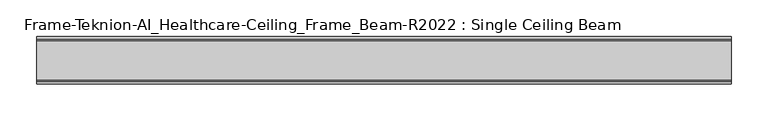
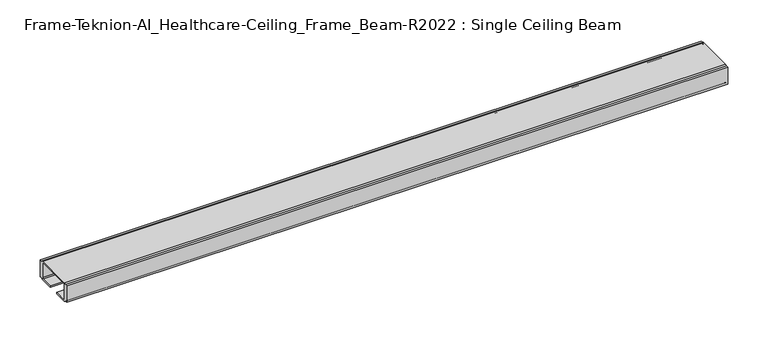
"""IFC4 building model written with IfcOpenShell, lengths in millimetres: furniture geometry, Frame-Teknion-AI_Healthcare-Ceiling_Frame_Beam-R2022 : Single Ceiling Beam."""

from ifc_helpers import new_model, si_unit, point, frame, frame_2d, origin, place, context, project, spatial, polyline, circle_curve, trimmed, segment, composite_curve, outline, extrude, source, transform, mapped, element, save


def frame_teknion_ai_healthcare_ceiling_frame_beam_r2022_single_ea5b3342(model_context):
    return source(origin(), model_context, "Body", "SweptSolid", [
        extrude(outline(composite_curve([segment(polyline([(-32.174996, 1573.5046), (-32.174996, 1598.9045998), (-28.999999, 1598.9045998), (-28.999999, 1597.787)]), True, "CONTINUOUS"), segment(trimmed(circle_curve(frame_2d((-26.5869991, 1597.787)), 2.413), [point((-28.999999, 1597.787))], [point((-26.5869991, 1600.2))], False, "CARTESIAN"), True, "CONTINUOUS"), segment(polyline([(-26.5869991, 1600.2), (26.5869991, 1600.2)]), True, "CONTINUOUS"), segment(trimmed(circle_curve(frame_2d((26.5869991, 1597.787)), 2.413), [point((26.5869991, 1600.2))], [point((28.999999, 1597.787))], False, "CARTESIAN"), True, "CONTINUOUS"), segment(polyline([(28.999999, 1597.787), (28.999999, 1598.9045998), (32.174996, 1598.9045998), (32.174996, 1573.5046), (28.999999, 1573.5046), (28.999999, 1574.6129989)]), True, "CONTINUOUS"), segment(trimmed(circle_curve(frame_2d((26.5869991, 1574.6129989)), 2.413), [point((28.999999, 1574.6129989))], [point((26.5869991, 1572.199999))], False, "CARTESIAN"), True, "CONTINUOUS"), segment(polyline([(26.5869991, 1572.199999), (7.9374947, 1572.199999), (7.9374947, 1574.4859991), (25.4440002, 1574.4859991)]), True, "CONTINUOUS"), segment(trimmed(circle_curve(frame_2d((25.4440002, 1576.0099999)), 1.5240008), [point((25.4440002, 1574.4859991))], [point((26.968001, 1576.0099999))], True, "CARTESIAN"), True, "CONTINUOUS"), segment(polyline([(26.968001, 1576.0099999), (26.968001, 1597.1520009)]), True, "CONTINUOUS"), segment(trimmed(circle_curve(frame_2d((25.9520019, 1597.1520009)), 1.015999), [point((26.968001, 1597.1520009))], [point((25.9520019, 1598.168))], True, "CARTESIAN"), True, "CONTINUOUS"), segment(polyline([(25.9520019, 1598.168), (-25.9520019, 1598.168)]), True, "CONTINUOUS"), segment(trimmed(circle_curve(frame_2d((-25.9520019, 1597.1520009)), 1.015999), [point((-25.9520019, 1598.168))], [point((-26.968001, 1597.1520009))], True, "CARTESIAN"), True, "CONTINUOUS"), segment(polyline([(-26.968001, 1597.1520009), (-26.968001, 1576.0099999)]), True, "CONTINUOUS"), segment(trimmed(circle_curve(frame_2d((-25.4440002, 1576.0099999)), 1.5240008), [point((-26.968001, 1576.0099999))], [point((-25.4440002, 1574.4859991))], True, "CARTESIAN"), True, "CONTINUOUS"), segment(polyline([(-25.4440002, 1574.4859991), (-7.9374947, 1574.4859991), (-7.9374947, 1572.199999), (-26.5869991, 1572.199999)]), True, "CONTINUOUS"), segment(trimmed(circle_curve(frame_2d((-26.5869991, 1574.6129989)), 2.413), [point((-26.5869991, 1572.199999))], [point((-28.999999, 1574.6129989))], False, "CARTESIAN"), True, "CONTINUOUS"), segment(polyline([(-28.999999, 1574.6129989), (-28.999999, 1573.5046), (-32.174996, 1573.5046)]), True, "CONTINUOUS")], self_intersect=False)), frame((-471.2750006, 0.0, 0.0), z_axis=(1.0, 0.0, 0.0), x_axis=(0.0, 1.0, 0.0)), (0.0, 0.0, 1.0), 942.5500012),
    ])


if __name__ == "__main__":
    model = new_model("IFC4")
    model_context = context("Model", 3, world=origin())
    ifc_project = project(units=[si_unit("LENGTHUNIT", "METRE", prefix="MILLI")], contexts=[model_context])
    site = spatial("IfcSite", under=ifc_project)
    building = spatial("IfcBuilding", under=site)
    placement = place(None, origin())
    frame_teknion_ai_healthcare_ceiling_frame_beam_r2022_single_shape = frame_teknion_ai_healthcare_ceiling_frame_beam_r2022_single_ea5b3342(model_context)
    element("IfcFurniture", 1, ObjectType="Frame-Teknion-AI_Healthcare-Ceiling_Frame_Beam-R2022 : Single Ceiling Beam", at=placement, inside=building, context=model_context, shape_type="MappedRepresentation", body=[
        mapped(frame_teknion_ai_healthcare_ceiling_frame_beam_r2022_single_shape, transform((0.0, 0.0, 0.0), x_axis=(1.0, 0.0, 0.0), y_axis=(0.0, 1.0, 0.0), z_axis=(0.0, 0.0, 1.0))),
    ])
    save(model, "model.ifc")
